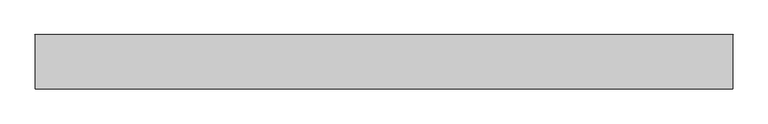
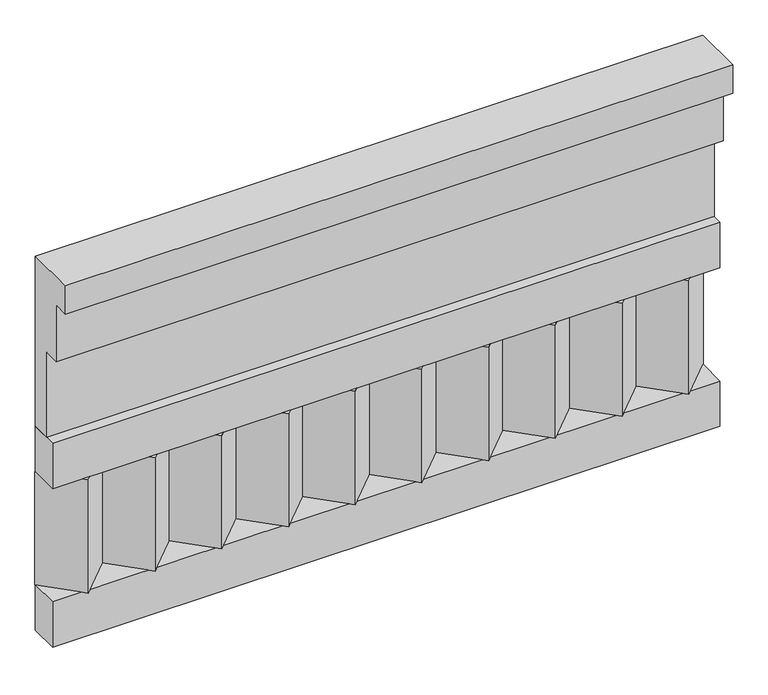
"""IFC4 building model written with IfcOpenShell, lengths in millimetres: railing geometry."""

from ifc_helpers import new_model, si_unit, frame, origin, place, context, project, spatial, polyline, outline, extrude, source, transform, mapped, element, save


def railing_cdf0afa3(model_context):
    return source(origin(), model_context, "Body", "SweptSolid", [
        extrude(outline(polyline([(-16816.8920513, 18500.0), (-16816.8920513, 18050.0), (-16866.8920513, 18050.0), (-16866.8920513, 18275.0), (-16906.8920513, 18275.0), (-16906.8920513, 18425.0), (-16946.8920513, 18425.0), (-16946.8920513, 18500.0), (-16816.8920513, 18500.0)])), frame((39990.0112841, 0.0, 0.0), z_axis=(1.0, 0.0, 0.0), x_axis=(0.0, 1.0, 0.0)), (0.0, 0.0, 1.0), 1670.0),
        extrude(outline(polyline([(39990.0112841, -16891.8920513), (39990.0112841, -16816.8920513), (41660.0112841, -16816.8920513), (41660.0112841, -16891.8920513), (39990.0112841, -16891.8920513)])), frame((0.0, 0.0, 17930.0), z_axis=(0.0, 0.0, 1.0), x_axis=(1.0, 0.0, 0.0)), (0.0, 0.0, 1.0), 120.0),
        extrude(outline(polyline([(39990.0112841, -16891.8920513), (39990.0112841, -16816.8920513), (41660.0112841, -16816.8920513), (41660.0112841, -16891.8920513), (39990.0112841, -16891.8920513)])), frame((0.0, 0.0, 17510.0), z_axis=(0.0, 0.0, 1.0), x_axis=(1.0, 0.0, 0.0)), (0.0, 0.0, 1.0), 120.0),
        extrude(outline(polyline([(41576.5112841, -16901.7448651), (41491.6584704, -16816.8920513), (41661.3640978, -16816.8920513), (41576.5112841, -16901.7448651)])), frame((0.0, 0.0, 17630.0), z_axis=(0.0, 0.0, 1.0), x_axis=(1.0, 0.0, 0.0)), (0.0, 0.0, 1.0), 300.0),
        extrude(outline(polyline([(41409.5112841, -16901.7448651), (41324.6584704, -16816.8920513), (41494.3640978, -16816.8920513), (41409.5112841, -16901.7448651)])), frame((0.0, 0.0, 17630.0), z_axis=(0.0, 0.0, 1.0), x_axis=(1.0, 0.0, 0.0)), (0.0, 0.0, 1.0), 300.0),
        extrude(outline(polyline([(41242.5112841, -16901.7448651), (41157.6584704, -16816.8920513), (41327.3640978, -16816.8920513), (41242.5112841, -16901.7448651)])), frame((0.0, 0.0, 17630.0), z_axis=(0.0, 0.0, 1.0), x_axis=(1.0, 0.0, 0.0)), (0.0, 0.0, 1.0), 300.0),
        extrude(outline(polyline([(41075.5112841, -16901.7448651), (40990.6584704, -16816.8920513), (41160.3640978, -16816.8920513), (41075.5112841, -16901.7448651)])), frame((0.0, 0.0, 17630.0), z_axis=(0.0, 0.0, 1.0), x_axis=(1.0, 0.0, 0.0)), (0.0, 0.0, 1.0), 300.0),
        extrude(outline(polyline([(40908.5112841, -16901.7448651), (40823.6584704, -16816.8920513), (40993.3640978, -16816.8920513), (40908.5112841, -16901.7448651)])), frame((0.0, 0.0, 17630.0), z_axis=(0.0, 0.0, 1.0), x_axis=(1.0, 0.0, 0.0)), (0.0, 0.0, 1.0), 300.0),
        extrude(outline(polyline([(40741.5112841, -16901.7448651), (40656.6584704, -16816.8920513), (40826.3640978, -16816.8920513), (40741.5112841, -16901.7448651)])), frame((0.0, 0.0, 17630.0), z_axis=(0.0, 0.0, 1.0), x_axis=(1.0, 0.0, 0.0)), (0.0, 0.0, 1.0), 300.0),
        extrude(outline(polyline([(40574.5112841, -16901.7448651), (40489.6584704, -16816.8920513), (40659.3640978, -16816.8920513), (40574.5112841, -16901.7448651)])), frame((0.0, 0.0, 17630.0), z_axis=(0.0, 0.0, 1.0), x_axis=(1.0, 0.0, 0.0)), (0.0, 0.0, 1.0), 300.0),
        extrude(outline(polyline([(40407.5112841, -16901.7448651), (40322.6584704, -16816.8920513), (40492.3640978, -16816.8920513), (40407.5112841, -16901.7448651)])), frame((0.0, 0.0, 17630.0), z_axis=(0.0, 0.0, 1.0), x_axis=(1.0, 0.0, 0.0)), (0.0, 0.0, 1.0), 300.0),
        extrude(outline(polyline([(40240.5112841, -16901.7448651), (40155.6584704, -16816.8920513), (40325.3640978, -16816.8920513), (40240.5112841, -16901.7448651)])), frame((0.0, 0.0, 17630.0), z_axis=(0.0, 0.0, 1.0), x_axis=(1.0, 0.0, 0.0)), (0.0, 0.0, 1.0), 300.0),
        extrude(outline(polyline([(40073.5112841, -16901.7448651), (39988.6584704, -16816.8920513), (40158.3640978, -16816.8920513), (40073.5112841, -16901.7448651)])), frame((0.0, 0.0, 17630.0), z_axis=(0.0, 0.0, 1.0), x_axis=(1.0, 0.0, 0.0)), (0.0, 0.0, 1.0), 300.0),
    ])


if __name__ == "__main__":
    model = new_model("IFC4")
    model_context = context("Model", 3, world=origin())
    ifc_project = project(units=[si_unit("LENGTHUNIT", "METRE", prefix="MILLI")], contexts=[model_context])
    site = spatial("IfcSite", under=ifc_project)
    building = spatial("IfcBuilding", under=site)
    placement = place(None, origin())
    railing_shape = railing_cdf0afa3(model_context)
    element("IfcRailing", 1, at=placement, inside=building, context=model_context, shape_type="MappedRepresentation", body=[
        mapped(railing_shape, transform((0.0, 0.0, 0.0), x_axis=(1.0, 0.0, 0.0), y_axis=(0.0, 1.0, 0.0), z_axis=(0.0, 0.0, 1.0))),
    ])
    save(model, "model.ifc")
